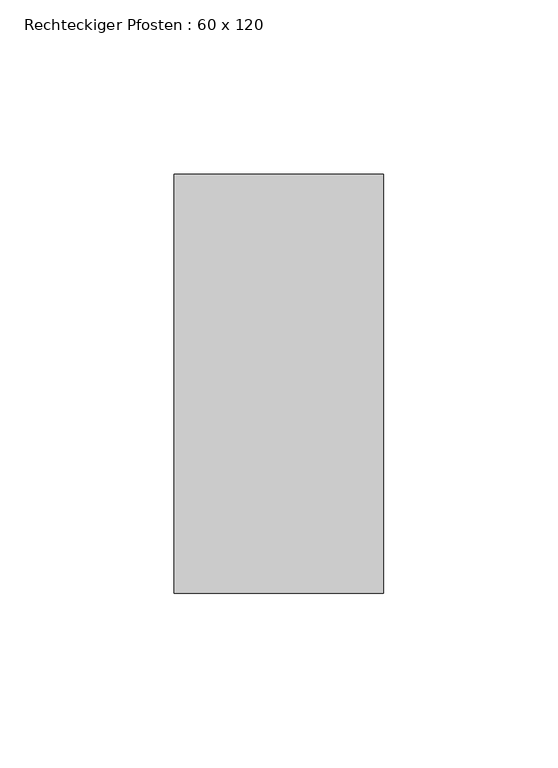
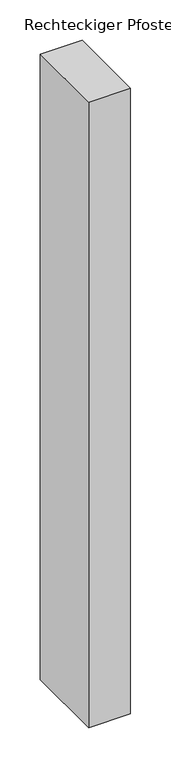
"""IFC4 building model written with IfcOpenShell, lengths in millimetres: member geometry, Rechteckiger Pfosten : 60 x 120."""

from ifc_helpers import new_model, si_unit, frame, origin, place, context, project, spatial, polyline, outline, extrude, source, transform, mapped, element, save


def rechteckiger_pfosten_60_x_120_938466c0(model_context):
    return source(origin(), model_context, "Body", "SweptSolid", [
        extrude(outline(polyline([(0.0, 60.0), (0.0, -60.0), (-60.0, -60.0), (-60.0, 60.0), (0.0, 60.0)])), frame((0.0, 0.0, -948.5714285), z_axis=(0.0, 0.0, 1.0), x_axis=(1.0, 0.0, 0.0)), (0.0, 0.0, 1.0), 948.5714285),
    ])


if __name__ == "__main__":
    model = new_model("IFC4")
    model_context = context("Model", 3, world=origin())
    ifc_project = project(units=[si_unit("LENGTHUNIT", "METRE", prefix="MILLI")], contexts=[model_context])
    site = spatial("IfcSite", under=ifc_project)
    building = spatial("IfcBuilding", under=site)
    placement = place(None, origin())
    rechteckiger_pfosten_60_x_120_shape = rechteckiger_pfosten_60_x_120_938466c0(model_context)
    element("IfcMember", 1, ObjectType="Rechteckiger Pfosten : 60 x 120", at=placement, inside=building, context=model_context, shape_type="MappedRepresentation", body=[
        mapped(rechteckiger_pfosten_60_x_120_shape, transform((0.0, 0.0, 0.0), x_axis=(1.0, 0.0, 0.0), y_axis=(0.0, 1.0, 0.0), z_axis=(0.0, 0.0, 1.0))),
    ])
    save(model, "model.ifc")
